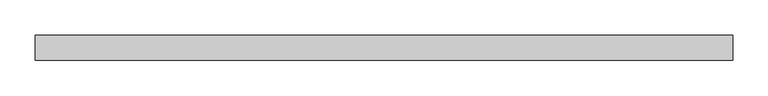
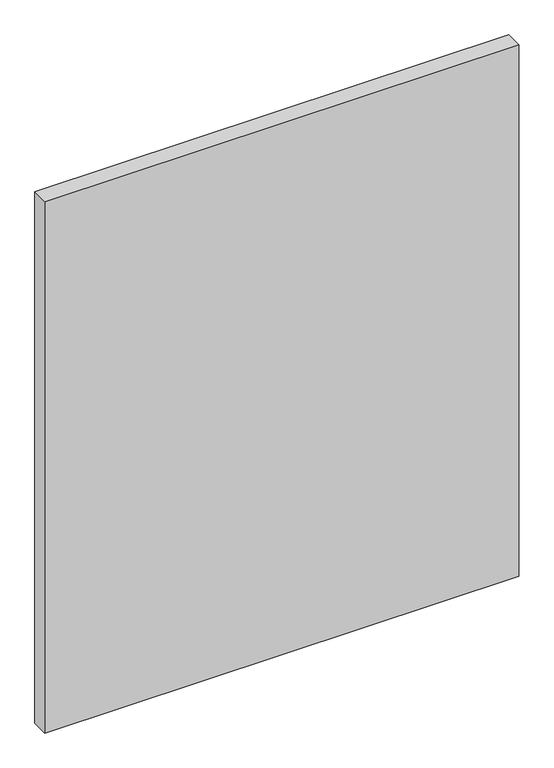
"""IFC4 building model written with IfcOpenShell, lengths in millimetres: plate geometry."""

from ifc_helpers import new_model, si_unit, origin, origin_with_axes, place, context, project, spatial, polyline, outline, extrude, source, transform, mapped, element, save


def plate_396f6f0a(model_context):
    return source(origin(), model_context, "Body", "SweptSolid", [
        extrude(outline(polyline([(493.3958333, -17.5), (-493.3958333, -17.5), (-493.3958333, 17.5), (493.3958333, 17.5), (493.3958333, -17.5)])), origin_with_axes(), (0.0, 0.0, 1.0), 1170.0),
    ])


if __name__ == "__main__":
    model = new_model("IFC4")
    model_context = context("Model", 3, world=origin())
    ifc_project = project(units=[si_unit("LENGTHUNIT", "METRE", prefix="MILLI")], contexts=[model_context])
    site = spatial("IfcSite", under=ifc_project)
    building = spatial("IfcBuilding", under=site)
    placement = place(None, origin())
    plate_shape = plate_396f6f0a(model_context)
    element("IfcPlate", 1, at=placement, inside=building, context=model_context, shape_type="MappedRepresentation", body=[
        mapped(plate_shape, transform((0.0, 0.0, 0.0), x_axis=(1.0, 0.0, 0.0), y_axis=(0.0, 1.0, 0.0), z_axis=(0.0, 0.0, 1.0))),
    ])
    save(model, "model.ifc")
